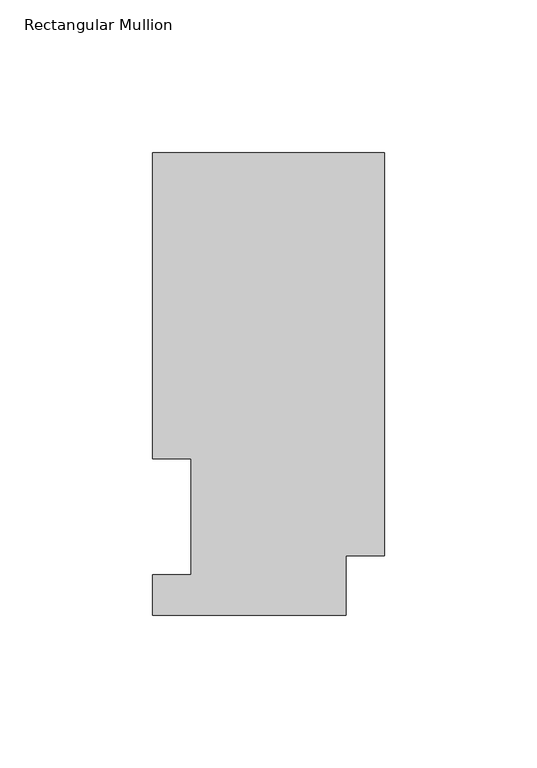
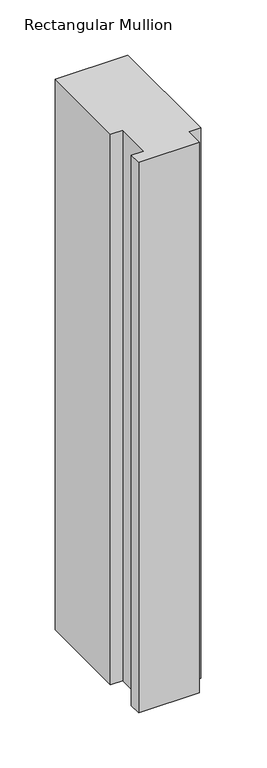
"""IFC4 building model written with IfcOpenShell, lengths in millimetres: member geometry, Rectangular Mullion."""

from ifc_helpers import new_model, si_unit, frame, origin, place, context, project, spatial, polyline, outline, extrude, source, transform, mapped, element, save


def rectangular_mullion_16f41460(model_context):
    return source(origin(), model_context, "Body", "SweptSolid", [
        extrude(outline(polyline([(-76.2, 51.2960938), (-76.2, 151.7022937), (0.0, 151.7022937), (0.0, 19.5455957), (-12.7, 19.5455957), (-12.7, 0.0134937), (-76.2, 0.0134937), (-76.2, 13.1960937), (-63.5, 13.1960937), (-63.5, 51.2960938), (-76.2, 51.2960938)])), frame((0.0, 0.0, -609.6), z_axis=(0.0, 0.0, 1.0), x_axis=(1.0, 0.0, 0.0)), (0.0, 0.0, 1.0), 609.6),
    ])


if __name__ == "__main__":
    model = new_model("IFC4")
    model_context = context("Model", 3, world=origin())
    ifc_project = project(units=[si_unit("LENGTHUNIT", "METRE", prefix="MILLI")], contexts=[model_context])
    site = spatial("IfcSite", under=ifc_project)
    building = spatial("IfcBuilding", under=site)
    placement = place(None, origin())
    rectangular_mullion_shape = rectangular_mullion_16f41460(model_context)
    element("IfcMember", 1, ObjectType="Rectangular Mullion", at=placement, inside=building, context=model_context, shape_type="MappedRepresentation", body=[
        mapped(rectangular_mullion_shape, transform((0.0, 0.0, 0.0), x_axis=(1.0, 0.0, 0.0), y_axis=(0.0, 1.0, 0.0), z_axis=(0.0, 0.0, 1.0))),
    ])
    save(model, "model.ifc")
